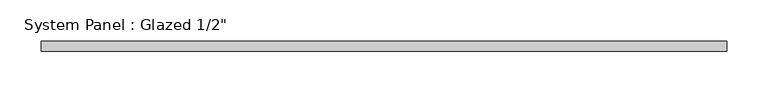
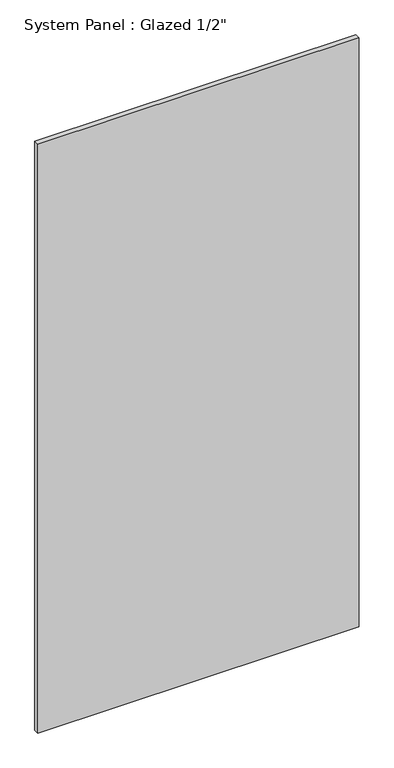
"""IFC4 building model written with IfcOpenShell, lengths in millimetres: plate geometry."""

from ifc_helpers import new_model, si_unit, origin, origin_with_axes, place, context, project, spatial, polyline, outline, extrude, source, transform, mapped, element, save


def plate_67c0ad33(model_context):
    return source(origin(), model_context, "Body", "SweptSolid", [
        extrude(outline(polyline([(418.0416667, -6.35), (-418.0416667, -6.35), (-418.0416667, 6.35), (418.0416667, 6.35), (418.0416667, -6.35)])), origin_with_axes(), (0.0, 0.0, 1.0), 1619.25),
    ])


if __name__ == "__main__":
    model = new_model("IFC4")
    model_context = context("Model", 3, world=origin())
    ifc_project = project(units=[si_unit("LENGTHUNIT", "METRE", prefix="MILLI")], contexts=[model_context])
    site = spatial("IfcSite", under=ifc_project)
    building = spatial("IfcBuilding", under=site)
    placement = place(None, origin())
    plate_shape = plate_67c0ad33(model_context)
    element("IfcPlate", 1, ObjectType="System Panel : Glazed 1/2\"", at=placement, inside=building, context=model_context, shape_type="MappedRepresentation", body=[
        mapped(plate_shape, transform((0.0, 0.0, 0.0), x_axis=(1.0, 0.0, 0.0), y_axis=(0.0, 1.0, 0.0), z_axis=(0.0, 0.0, 1.0))),
    ])
    save(model, "model.ifc")
